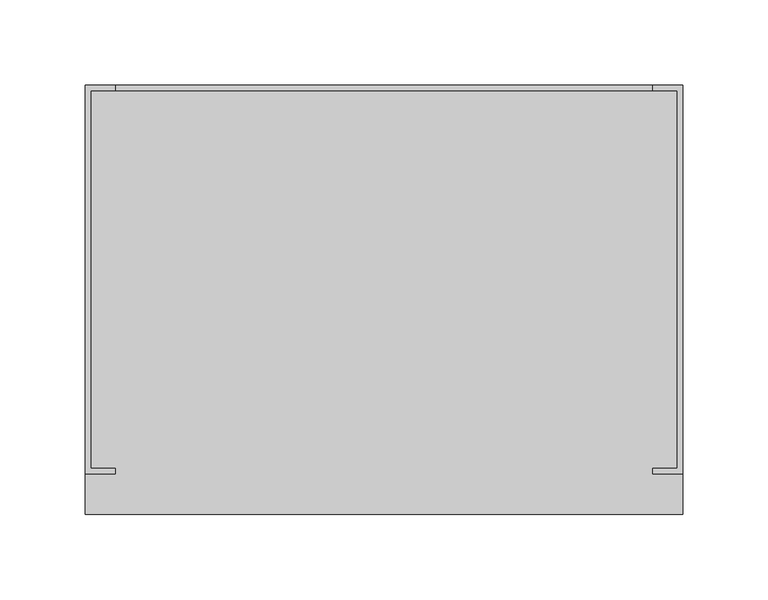
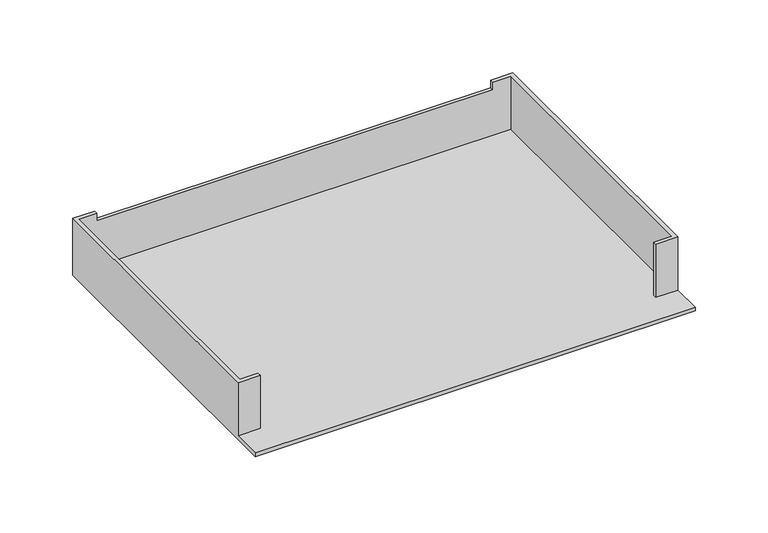
"""IFC4 building model written with IfcOpenShell, lengths in millimetres: furniture geometry."""

from ifc_helpers import new_model, si_unit, frame, origin, place, context, project, spatial, polyline, outline, extrude, faceted_brep, source, transform, mapped, element, save


def furniture_b8f6d084(model_context):
    return source(origin(), model_context, "Body", "SolidModel", [
        extrude(outline(polyline([(345.2300903, -4.0639886), (345.2300903, -223.2660158), (4.0637773, -223.2660158), (4.0637773, -4.0639886), (345.2300903, -4.0639886)]), holes=[polyline([(5.7148393, -221.6149538), (343.5790283, -221.6149538), (343.5790283, -5.7149053), (5.7148393, -5.7149053), (5.7148393, -221.6149538)])]), frame((0.0, 0.0, 723.9), z_axis=(0.0, 0.0, 1.0), x_axis=(1.0, 0.0, 0.0)), (0.0, 0.0, 1.0), 3.0479971),
        faceted_brep([(17.4623677, 0.0, 774.573), (0.0, 0.0, 774.573), (0.0, -227.3300119, 774.573), (17.4623677, -227.3300119, 774.573), (17.4623677, -224.2820875, 774.573), (3.0481312, -224.2820875, 774.573), (3.0481312, -3.0479618, 774.573), (17.4623677, -3.0479618, 774.573), (331.7878261, 0.0, 774.573), (331.7878261, -3.0479618, 774.573), (346.2020625, -3.0479618, 774.573), (346.2020625, -224.2820875, 774.573), (331.7878261, -224.2820875, 774.573), (331.7878261, -227.3300119, 774.573), (349.2501938, -227.3300119, 774.573), (349.2501938, 0.0, 774.573), (17.4623677, 0.0, 768.2230213), (331.7878261, 0.0, 768.2230213), (349.2501938, 0.0, 726.9479971), (0.0, 0.0, 726.9479971), (0.0, -251.2313221, 726.9479971), (0.0, -251.2313221, 729.9959942), (0.0, -227.3300119, 729.9959942), (17.4623677, -227.3300119, 729.9959942), (17.4623677, -224.2820875, 729.9959942), (3.0481312, -224.2820875, 729.9959942), (3.0481312, -3.0479618, 729.9959942), (346.2020625, -3.0479618, 729.9959942), (331.7878261, -3.0479618, 768.2230213), (17.4623677, -3.0479618, 768.2230213), (346.2020625, -224.2820875, 729.9959942), (331.7878261, -224.2820875, 729.9959942), (331.7878261, -227.3300119, 729.9959942), (349.2501938, -227.3300119, 729.9959942), (349.2501938, -251.2313221, 729.9959942), (349.2501938, -251.2313221, 726.9479971)], [[[0, 1, 2, 3, 4, 5, 6, 7]], [[8, 9, 10, 11, 12, 13, 14, 15]], [[1, 0, 16, 17, 8, 15, 18, 19]], [[2, 1, 19, 20, 21, 22]], [[3, 2, 22, 23]], [[4, 3, 23, 24]], [[5, 4, 24, 25]], [[6, 5, 25, 26]], [[7, 6, 26, 27, 10, 9, 28, 29]], [[0, 7, 29, 16]], [[9, 8, 17, 28]], [[11, 10, 27, 30]], [[12, 11, 30, 31]], [[13, 12, 31, 32]], [[14, 13, 32, 33]], [[15, 14, 33, 34, 35, 18]], [[21, 34, 33, 32, 31, 30, 27, 26, 25, 24, 23, 22]], [[18, 35, 20, 19]], [[34, 21, 20, 35]], [[17, 16, 29, 28]]]),
    ])


if __name__ == "__main__":
    model = new_model("IFC4")
    model_context = context("Model", 3, world=origin())
    ifc_project = project(units=[si_unit("LENGTHUNIT", "METRE", prefix="MILLI")], contexts=[model_context])
    site = spatial("IfcSite", under=ifc_project)
    building = spatial("IfcBuilding", under=site)
    placement = place(None, origin())
    furniture_shape = furniture_b8f6d084(model_context)
    element("IfcFurniture", 1, at=placement, inside=building, context=model_context, shape_type="MappedRepresentation", body=[
        mapped(furniture_shape, transform((0.0, 0.0, 0.0), x_axis=(1.0, 0.0, 0.0), y_axis=(0.0, 1.0, 0.0), z_axis=(0.0, 0.0, 1.0))),
    ])
    save(model, "model.ifc")
